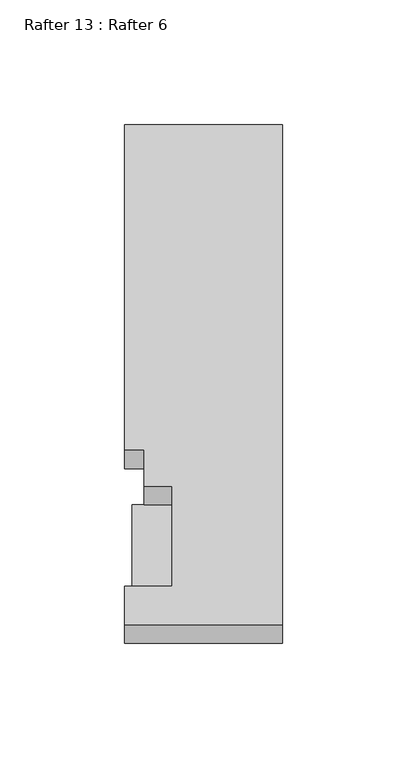
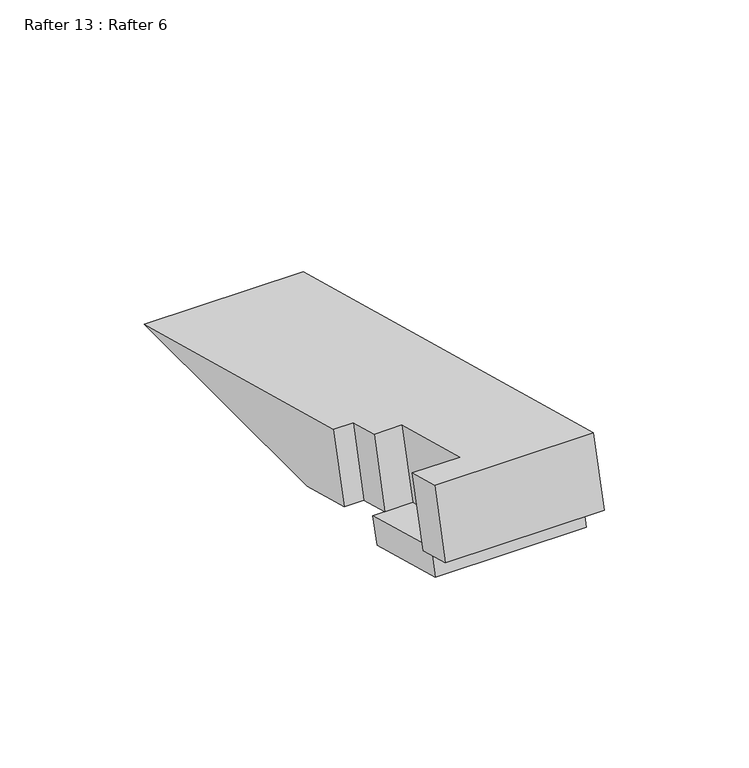
"""IFC4 building model written with IfcOpenShell, lengths in millimetres: proxy geometry, Rafter 13 : Rafter 6."""

from ifc_helpers import new_model, si_unit, origin, place, context, project, spatial, faceted_brep, source, transform, mapped, element, save


def rafter_13_rafter_6_d4d485c6(model_context):
    return source(origin(), model_context, "Body", "Brep", [
        faceted_brep([(-1190.2232944, 2546.6013578, 912.6268029), (-1201.3484944, 2546.6013578, 912.6268029), (-1201.3484944, 2561.1503257, 908.7284187), (-1209.2732944, 2561.1503257, 908.7284187), (-1209.2732944, 2586.5560643, 901.9209715), (-1145.7732944, 2586.5560643, 901.9209715), (-1145.7732944, 2546.6790095, 912.6059962), (-1145.7732944, 2491.0306791, 927.5169214), (-1209.2732944, 2491.0306791, 927.5169214), (-1209.2732944, 2506.3647515, 923.408169), (-1206.0982944, 2506.3647515, 923.408169), (-1190.2232944, 2506.3647515, 923.408169), (-1145.7732944, 2506.4669372, 923.3807885), (-1209.2732944, 2568.6985778, 936.898879), (-1201.3484944, 2568.6985778, 936.898879), (-1201.3484944, 2554.1496099, 940.7972632), (-1190.2232944, 2554.1496099, 940.7972632), (-1190.2232944, 2513.9130036, 951.5786294), (-1209.2732944, 2513.9130036, 951.5786294), (-1209.2732944, 2498.5789311, 955.6873817), (-1145.7732944, 2498.5789311, 955.6873817), (-1145.7732944, 2699.3060016, 901.9027253), (-1209.2732944, 2699.3060016, 901.9027253), (-1145.7732944, 2503.5919368, 912.6580819), (-1145.7732944, 2543.8022643, 901.8767824), (-1206.0982944, 2546.6818727, 912.6166748), (-1206.0982944, 2543.8022643, 901.8767824), (-1206.0982944, 2503.5919368, 912.6580819), (-1206.0982944, 2506.4698004, 923.3914671), (-1201.3484944, 2546.6790061, 912.6059836)], [[[0, 1, 2, 3, 4, 5, 6]], [[7, 8, 9, 10, 11, 12]], [[13, 14, 15, 16, 17, 18, 19, 20, 21, 22]], [[20, 7, 12, 23, 24, 6, 5, 21]], [[3, 13, 22, 4]], [[3, 2, 14, 13]], [[2, 1, 15, 14]], [[1, 0, 16, 15]], [[17, 16, 0, 11]], [[18, 17, 11, 10, 9]], [[9, 8, 19, 18]], [[8, 7, 20, 19]], [[25, 26, 27, 28]], [[6, 24, 26, 25, 29, 0]], [[24, 23, 27, 26]], [[23, 12, 11, 28, 27]], [[25, 28, 11, 0, 29]], [[5, 4, 22, 21]]]),
    ])


if __name__ == "__main__":
    model = new_model("IFC4")
    model_context = context("Model", 3, world=origin())
    ifc_project = project(units=[si_unit("LENGTHUNIT", "METRE", prefix="MILLI")], contexts=[model_context])
    site = spatial("IfcSite", under=ifc_project)
    building = spatial("IfcBuilding", under=site)
    placement = place(None, origin())
    rafter_13_rafter_6_shape = rafter_13_rafter_6_d4d485c6(model_context)
    element("IfcBuildingElementProxy", 1, Name="Rafter 13 : Rafter 6", ObjectType="Rafter 13 : Rafter 6", at=placement, inside=building, context=model_context, shape_type="MappedRepresentation", body=[
        mapped(rafter_13_rafter_6_shape, transform((0.0, 0.0, 0.0), x_axis=(1.0, 0.0, 0.0), y_axis=(0.0, 1.0, 0.0), z_axis=(0.0, 0.0, 1.0))),
    ])
    save(model, "model.ifc")
